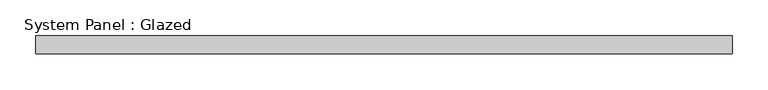
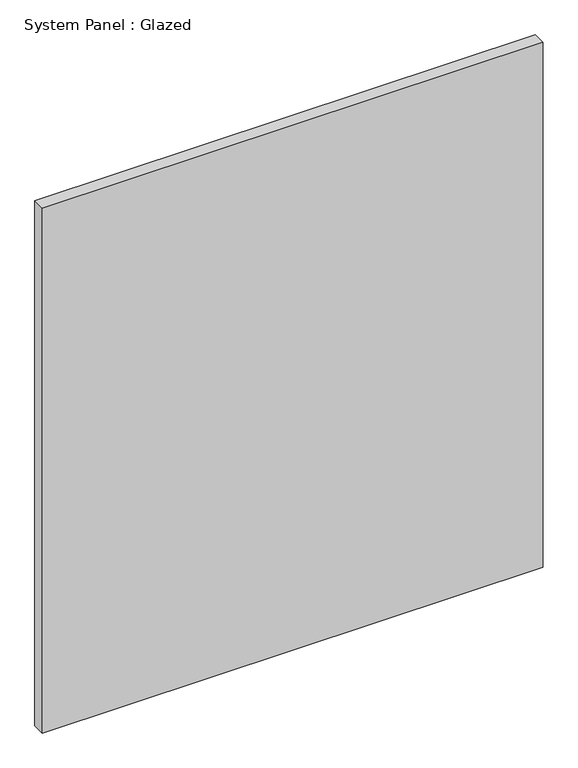
"""IFC4 building model written with IfcOpenShell, lengths in millimetres: plate geometry, System Panel : Glazed."""

from ifc_helpers import new_model, si_unit, origin, origin_with_axes, place, context, project, spatial, polyline, outline, extrude, source, transform, mapped, element, save


def system_panel_glazed_6c665e0c(model_context):
    return source(origin(), model_context, "Body", "SweptSolid", [
        extrude(outline(polyline([(487.68, -12.7), (-487.68, -12.7), (-487.68, 12.7), (487.68, 12.7), (487.68, -12.7)])), origin_with_axes(), (0.0, 0.0, 1.0), 1080.0),
    ])


if __name__ == "__main__":
    model = new_model("IFC4")
    model_context = context("Model", 3, world=origin())
    ifc_project = project(units=[si_unit("LENGTHUNIT", "METRE", prefix="MILLI")], contexts=[model_context])
    site = spatial("IfcSite", under=ifc_project)
    building = spatial("IfcBuilding", under=site)
    placement = place(None, origin())
    system_panel_glazed_shape = system_panel_glazed_6c665e0c(model_context)
    element("IfcPlate", 1, ObjectType="System Panel : Glazed", at=placement, inside=building, context=model_context, shape_type="MappedRepresentation", body=[
        mapped(system_panel_glazed_shape, transform((0.0, 0.0, 0.0), x_axis=(1.0, 0.0, 0.0), y_axis=(0.0, 1.0, 0.0), z_axis=(0.0, 0.0, 1.0))),
    ])
    save(model, "model.ifc")
